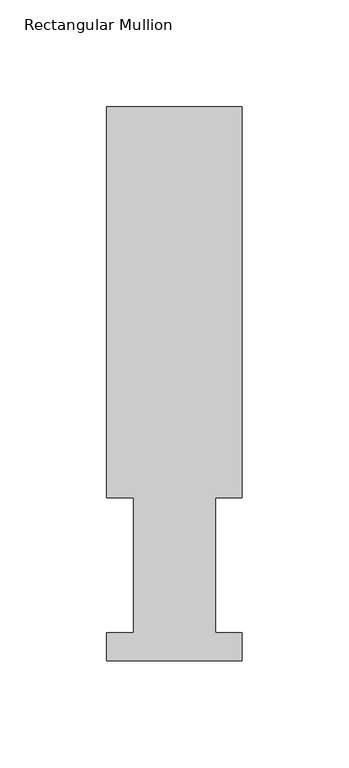
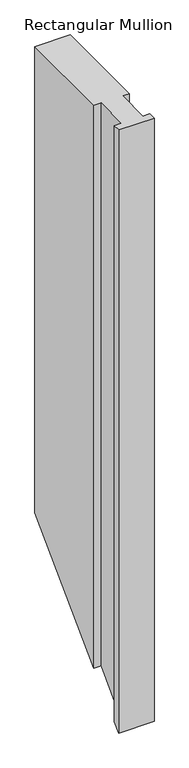
"""IFC4 building model written with IfcOpenShell, lengths in millimetres: member geometry, Rectangular Mullion."""

from ifc_helpers import new_model, si_unit, origin, place, context, project, spatial, faceted_brep, source, transform, mapped, element, save


def rectangular_mullion_5443bb76(model_context):
    return source(origin(), model_context, "Body", "Brep", [
        faceted_brep([(-63.5, 76.2992187, 0.0), (-50.8, 76.2992187, 0.0), (-50.8, 13.1492189, 0.0), (-63.5, 13.1492189, 0.0), (-63.5, -0.0333811, 0.0), (0.0, -0.0333811, 0.0), (0.0, 13.1492189, 0.0), (-12.3418395, 13.1492189, 0.0), (-12.3418395, 76.2992187, 0.0), (0.0, 76.2992187, 0.0), (0.0, 259.4591074, 0.0), (-63.5, 259.4591074, 0.0), (-63.5, 76.2992187, -1066.2181813), (-50.8, 76.2992187, -1066.2181813), (-50.8, 13.1492189, -1129.3681811), (-63.5, 13.1492189, -1129.3681811), (-63.5, -0.0333811, -1142.5507811), (0.0, -0.0333811, -1142.5507811), (0.0, 13.1492189, -1129.3681811), (-12.3418395, 13.1492189, -1129.3681811), (-12.3418395, 76.2992187, -1066.2181813), (0.0, 76.2992187, -1066.2181813), (0.0, 259.4591074, -883.0582926), (-63.5, 259.4591074, -883.0582926)], [[[0, 1, 2, 3, 4, 5, 6, 7, 8, 9, 10, 11]], [[1, 0, 12, 13]], [[2, 1, 13, 14]], [[3, 2, 14, 15]], [[4, 3, 15, 16]], [[5, 4, 16, 17]], [[6, 5, 17, 18]], [[7, 6, 18, 19]], [[8, 7, 19, 20]], [[9, 8, 20, 21]], [[10, 9, 21, 22]], [[11, 10, 22, 23]], [[0, 11, 23, 12]], [[12, 23, 22, 21, 20, 19, 18, 17, 16, 15, 14, 13]]]),
    ])


if __name__ == "__main__":
    model = new_model("IFC4")
    model_context = context("Model", 3, world=origin())
    ifc_project = project(units=[si_unit("LENGTHUNIT", "METRE", prefix="MILLI")], contexts=[model_context])
    site = spatial("IfcSite", under=ifc_project)
    building = spatial("IfcBuilding", under=site)
    placement = place(None, origin())
    rectangular_mullion_shape = rectangular_mullion_5443bb76(model_context)
    element("IfcMember", 1, ObjectType="Rectangular Mullion", at=placement, inside=building, context=model_context, shape_type="MappedRepresentation", body=[
        mapped(rectangular_mullion_shape, transform((0.0, 0.0, 0.0), x_axis=(1.0, 0.0, 0.0), y_axis=(0.0, 1.0, 0.0), z_axis=(0.0, 0.0, 1.0))),
    ])
    save(model, "model.ifc")
